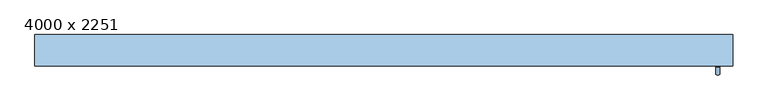
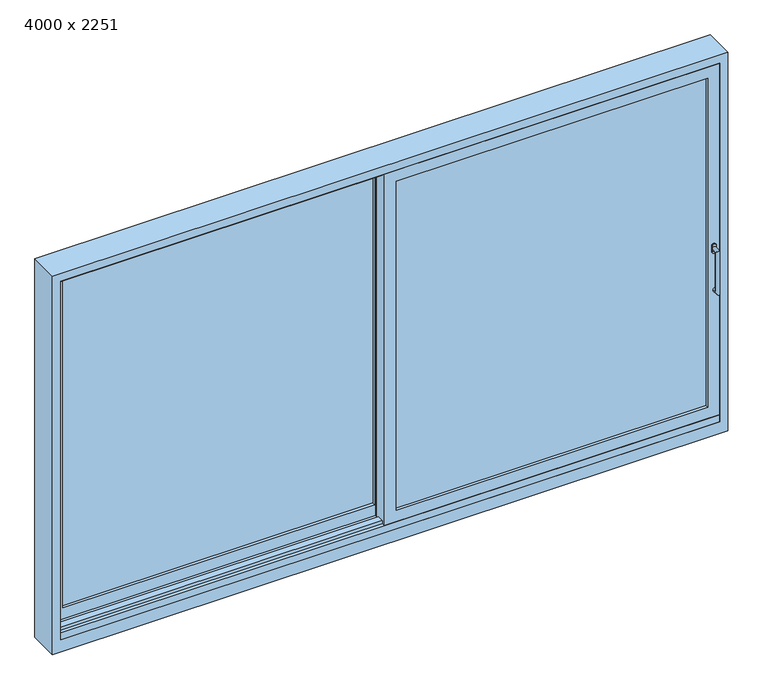
"""IFC4 building model written with IfcOpenShell, lengths in millimetres: window geometry, 4000 x 2251."""

from ifc_helpers import new_model, si_unit, frame, origin, origin_with_axes, place, context, project, spatial, polyline, circle_curve, ellipse_curve, outline, extrude, faceted_brep, source, transform, mapped, element, save
from ifc_brep_helpers import plane_surface, cylinder_surface, advanced_brep


def window_4000_x_2251_bf4fb53c(model_context):
    return source(origin(), model_context, "Body", "SolidModel", [
        extrude(outline(polyline([(1950.0, 125.0), (1950.0, -55.0), (-1950.0, -55.0), (-1950.0, 125.0), (1950.0, 125.0)])), frame((0.0, 0.0, -45.0), z_axis=(0.0, 0.0, 1.0), x_axis=(1.0, 0.0, 0.0)), (0.0, 0.0, 1.0), 45.0),
        extrude(outline(polyline([(-1950.0, -35.0), (-1950.0, 5.0), (1950.0, 5.0), (1950.0, -35.0), (-1950.0, -35.0)])), frame((0.0, 0.0, 2180.0), z_axis=(0.0, 0.0, 1.0), x_axis=(1.0, 0.0, 0.0)), (0.0, 0.0, 1.0), 20.0),
        extrude(outline(polyline([(-1950.0, -35.0), (-1950.0, 5.0), (1950.0, 5.0), (1950.0, -35.0), (-1950.0, -35.0)])), origin_with_axes(), (0.0, 0.0, 1.0), 20.0),
        advanced_brep(
        [(1902.5, -55.0, 1037.5), (1902.5, -55.0, 1072.5), (1927.5, -55.0, 1072.5), (1927.5, -55.0, 1037.5), (1927.5, -95.0, 1055.0), (1927.5, -61.0, 1055.0), (1902.5, -61.0, 1055.0), (1902.5, -95.0, 1055.0), (1927.5, -70.0, 805.0), (1902.5, -70.0, 805.0), (1902.5, -95.0, 805.0), (1927.5, -95.0, 805.0), (1902.5, -61.0, 1072.5), (1927.5, -61.0, 1072.5), (1927.5, -61.0, 1037.5), (1902.5, -61.0, 1037.5)],
        [
            (0, 1),
            (1, 2, circle_curve(frame((1915.0, -55.0, 1072.5), z_axis=(0.0, 1.0, 0.0), x_axis=(-1.0, 0.0, 0.0)), 12.5)),
            (2, 3),
            (3, 0, circle_curve(frame((1915.0, -55.0, 1037.5), z_axis=(0.0, 1.0, 0.0), x_axis=(-1.0, 0.0, 0.0)), 12.5)),
            (4, 5),
            (5, 6, circle_curve(frame((1915.0, -61.0, 1055.0), z_axis=(0.0, -1.0, 0.0), x_axis=(-1.0, 0.0, 0.0)), 12.5)),
            (6, 7),
            (7, 4, ellipse_curve(frame((1915.0, -95.0, 1055.0), z_axis=(0.0, 0.7071067811865475, 0.7071067811865475), x_axis=(0.0, 0.7071067811865476, -0.7071067811865474)), 17.6776695, 12.5)),
            (6, 5, circle_curve(frame((1915.0, -61.0, 1055.0), z_axis=(0.0, -1.0, 0.0), x_axis=(-1.0, 0.0, 0.0)), 12.5)),
            (4, 7, ellipse_curve(frame((1915.0, -95.0, 1055.0), z_axis=(0.0, 0.7071067811865475, 0.7071067811865475), x_axis=(0.0, 0.7071067811865476, -0.7071067811865474)), 17.6776695, 12.5)),
            (8, 9, circle_curve(frame((1915.0, -70.0, 805.0), z_axis=(0.0, 1.0, 0.0), x_axis=(-1.0, 0.0, 0.0)), 12.5)),
            (9, 8, circle_curve(frame((1915.0, -70.0, 805.0), z_axis=(0.0, 1.0, 0.0), x_axis=(-1.0, 0.0, 0.0)), 12.5)),
            (7, 10),
            (10, 11, ellipse_curve(frame((1915.0, -95.0, 805.0), z_axis=(0.0, -0.7071067811865475, 0.7071067811865475), x_axis=(0.0, 0.7071067811865474, 0.7071067811865476)), 17.6776695, 12.5)),
            (11, 4),
            (11, 10, ellipse_curve(frame((1915.0, -95.0, 805.0), z_axis=(0.0, -0.7071067811865475, 0.7071067811865475), x_axis=(0.0, 0.7071067811865474, 0.7071067811865476)), 17.6776695, 12.5)),
            (12, 6),
            (5, 13),
            (13, 12, circle_curve(frame((1915.0, -61.0, 1072.5), z_axis=(0.0, -1.0, 0.0), x_axis=(-1.0, 0.0, 0.0)), 12.5)),
            (14, 5),
            (6, 15),
            (15, 14, circle_curve(frame((1915.0, -61.0, 1037.5), z_axis=(0.0, -1.0, 0.0), x_axis=(-1.0, 0.0, 0.0)), 12.5)),
            (13, 2),
            (1, 12),
            (14, 3),
            (0, 15),
            (8, 11),
            (10, 9),
        ],
        [
            plane_surface(frame((1915.0, -55.0, 1055.0), z_axis=(0.0, 1.0, 0.0), x_axis=(-1.0, 0.0, 0.0))),
            cylinder_surface(frame((1915.0, -55.0, 1055.0), z_axis=(0.0, 1.0, 0.0), x_axis=(-1.0, 0.0, 0.0)), 12.5),
            plane_surface(frame((1915.0, -70.0, 805.0), z_axis=(0.0, 1.0, 0.0), x_axis=(-1.0, 0.0, 0.0))),
            cylinder_surface(frame((1915.0, -95.0, 1055.0), z_axis=(0.0, 0.0, 1.0), x_axis=(-1.0, 0.0, 0.0)), 12.5),
            plane_surface(frame((1902.5, -61.0, 1072.5), z_axis=(0.0, -1.0, 0.0), x_axis=(0.0, 0.0, 1.0))),
            cylinder_surface(frame((1915.0, -55.0, 1072.5), z_axis=(0.0, -1.0, 0.0), x_axis=(-1.0, 0.0, 0.0)), 12.5),
            plane_surface(frame((1927.5, -61.0, 1072.5), z_axis=(1.0, 0.0, 0.0), x_axis=(0.0, 1.0, 0.0))),
            plane_surface(frame((1902.5, -61.0, 1037.5), z_axis=(-1.0, 0.0, 0.0), x_axis=(0.0, 1.0, 0.0))),
            cylinder_surface(frame((1915.0, -95.0, 805.0), z_axis=(0.0, -1.0, 0.0), x_axis=(-1.0, 0.0, 0.0)), 12.5),
            cylinder_surface(frame((1915.0, -55.0, 1037.5), z_axis=(0.0, -1.0, 0.0), x_axis=(-1.0, 0.0, 0.0)), 12.5),
        ],
        [
            (0, [[1, 2, 3, 4]]),
            (1, [[5, 6, 7, 8]]),
            (1, [[-7, 9, -5, 10]]),
            (2, [[11, 12]]),
            (3, [[13, 14, 15, -8]]),
            (3, [[-15, 16, -13, -10]]),
            (4, [[17, -6, 18, 19]]),
            (4, [[20, -9, 21, 22]]),
            (5, [[23, -2, 24, -19]]),
            (6, [[-18, -20, 25, -3, -23]]),
            (7, [[26, -21, -17, -24, -1]]),
            (8, [[27, -14, 28, -11]]),
            (8, [[-28, -16, -27, -12]]),
            (9, [[-26, -4, -25, -22]]),
        ],
    ),
        faceted_brep([(-35.0, -55.0, 2200.0), (-35.0, -55.0, 0.0), (1950.0, -55.0, 0.0), (1950.0, -55.0, 2200.0), (35.0, -55.0, 70.0), (35.0, -55.0, 2130.0), (1880.0, -55.0, 2130.0), (1880.0, -55.0, 70.0), (1950.0, -35.0, 0.0), (1950.0, -35.0, 20.0), (1950.0, 5.0, 20.0), (1950.0, 5.0, 0.0), (1950.0, 25.0, 0.0), (1950.0, 25.0, 2200.0), (1950.0, 5.0, 2200.0), (1950.0, 5.0, 2180.0), (1950.0, -35.0, 2180.0), (1950.0, -35.0, 2200.0), (-35.0, 5.0, 0.0), (-35.0, 25.0, 0.0), (-35.0, -35.0, 0.0), (-35.0, -35.0, 2200.0), (-35.0, -35.0, 2180.0), (-35.0, 5.0, 2180.0), (-35.0, 5.0, 2200.0), (-35.0, 25.0, 2200.0), (-35.0, 5.0, 20.0), (-35.0, -35.0, 20.0), (1880.0, 25.0, 70.0), (35.0, 25.0, 70.0), (1880.0, 25.0, 2130.0), (35.0, 25.0, 2130.0)], [[[0, 1, 2, 3], [4, 5, 6, 7]], [[2, 8, 9, 10, 11, 12, 13, 14, 15, 16, 17, 3]], [[12, 11, 18, 19]], [[1, 20, 8, 2]], [[0, 21, 22, 23, 24, 25, 19, 18, 26, 27, 20, 1]], [[7, 28, 29, 4]], [[6, 30, 28, 7]], [[4, 29, 31, 5]], [[25, 13, 12, 19], [29, 28, 30, 31]], [[3, 17, 21, 0]], [[25, 24, 14, 13]], [[5, 31, 30, 6]], [[26, 18, 11, 10]], [[27, 26, 10, 9]], [[9, 8, 20, 27]], [[15, 14, 24, 23]], [[23, 22, 16, 15]], [[22, 21, 17, 16]]]),
        extrude(outline(polyline([(-30.0, 40.0), (17.5, 40.0), (17.5, 35.0), (-17.5, 35.0), (-17.5, 25.0), (-30.0, 25.0), (-30.0, 40.0)])), origin_with_axes(), (0.0, 0.0, 1.0), 2200.0),
        extrude(outline(polyline([(35.0, -37.0), (35.0, 7.0), (1880.0, 7.0), (1880.0, -37.0), (35.0, -37.0)])), frame((0.0, 0.0, 70.0), z_axis=(0.0, 0.0, 1.0), x_axis=(1.0, 0.0, 0.0)), (0.0, 0.0, 1.0), 2060.0),
        extrude(outline(polyline([(2200.0, -1950.0), (0.0, -1950.0), (0.0, 35.0), (2200.0, 35.0), (2200.0, -1950.0)]), holes=[polyline([(70.0, -1880.0), (2130.0, -1880.0), (2130.0, -35.0), (70.0, -35.0), (70.0, -1880.0)])]), frame((0.0, 45.0, 0.0), z_axis=(0.0, 1.0, 0.0), x_axis=(0.0, 0.0, 1.0)), (0.0, 0.0, 1.0), 80.0),
        extrude(outline(polyline([(30.0, 30.0), (-17.5, 30.0), (-17.5, 35.0), (17.5, 35.0), (17.5, 45.0), (30.0, 45.0), (30.0, 30.0)])), origin_with_axes(), (0.0, 0.0, 1.0), 2200.0),
        extrude(outline(polyline([(-1880.0, 63.0), (-1880.0, 107.0), (-35.0, 107.0), (-35.0, 63.0), (-1880.0, 63.0)])), frame((0.0, 0.0, 70.0), z_axis=(0.0, 0.0, 1.0), x_axis=(1.0, 0.0, 0.0)), (0.0, 0.0, 1.0), 2060.0),
        extrude(outline(polyline([(2250.0, 2000.0), (2250.0, -2000.0), (-120.0, -2000.0), (-120.0, 2000.0), (2250.0, 2000.0)]), holes=[polyline([(2200.0, -1950.0), (2200.0, 1950.0), (-45.0, 1950.0), (-45.0, -1950.0), (2200.0, -1950.0)])]), frame((0.0, -55.0, 0.0), z_axis=(0.0, 1.0, 0.0), x_axis=(0.0, 0.0, 1.0)), (0.0, 0.0, 1.0), 180.0),
    ])


if __name__ == "__main__":
    model = new_model("IFC4")
    model_context = context("Model", 3, world=origin())
    ifc_project = project(units=[si_unit("LENGTHUNIT", "METRE", prefix="MILLI")], contexts=[model_context])
    site = spatial("IfcSite", under=ifc_project)
    building = spatial("IfcBuilding", under=site)
    placement = place(None, origin())
    window_4000_x_2251_shape = window_4000_x_2251_bf4fb53c(model_context)
    element("IfcWindow", 1, ObjectType="4000 x 2251", at=placement, inside=building, context=model_context, shape_type="MappedRepresentation", body=[
        mapped(window_4000_x_2251_shape, transform((0.0, 0.0, 0.0), x_axis=(1.0, 0.0, 0.0), y_axis=(0.0, 1.0, 0.0), z_axis=(0.0, 0.0, 1.0))),
    ])
    save(model, "model.ifc")
